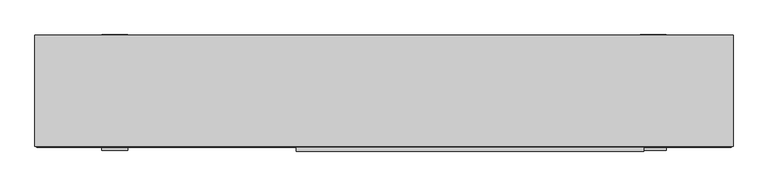
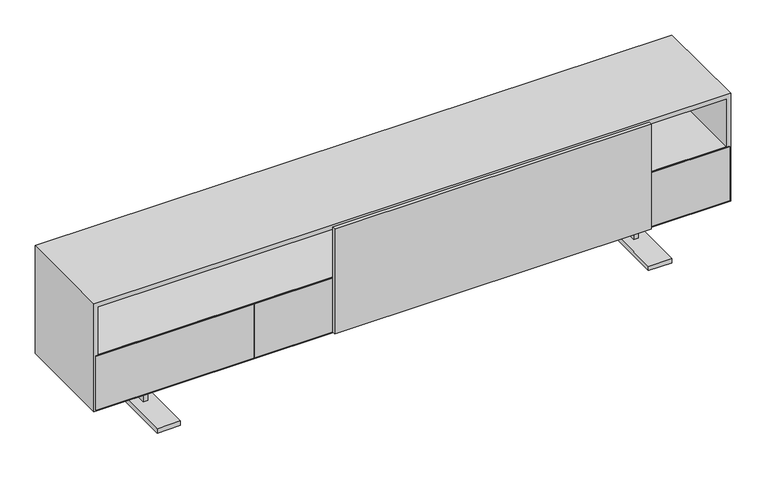
"""IFC4 building model written with IfcOpenShell, lengths in millimetres: furniture geometry."""

from ifc_helpers import new_model, si_unit, frame, origin, place, context, project, spatial, polyline, outline, extrude, faceted_brep, source, transform, mapped, element, save


def furniture_e3b2b5f4(model_context):
    return source(origin(), model_context, "Body", "SolidModel", [
        extrude(outline(polyline([(0.0, 30.08249), (672.3182792, 30.08249), (672.3182792, 15.08125), (0.0, 15.08125), (0.0, 30.08249)])), frame((0.0, 0.0, 184.15), z_axis=(0.0, 0.0, 1.0), x_axis=(1.0, 0.0, 0.0)), (0.0, 0.0, 1.0), 241.3),
        extrude(outline(polyline([(-339.725, 15.00124), (1003.3, 15.00124), (1003.3, 0.0), (-339.725, 0.0), (-339.725, 15.00124)])), frame((0.0, 0.0, 184.15), z_axis=(0.0, 0.0, 1.0), x_axis=(1.0, 0.0, 0.0)), (0.0, 0.0, 1.0), 469.9),
        extrude(outline(polyline([(1343.025, 30.08249), (1343.025, 15.08125), (672.3182792, 15.08125), (672.3182792, 30.08249), (1343.025, 30.08249)])), frame((0.0, 0.0, 184.15), z_axis=(0.0, 0.0, 1.0), x_axis=(1.0, 0.0, 0.0)), (0.0, 0.0, 1.0), 241.3),
        extrude(outline(polyline([(0.0, 30.08249), (0.0, 15.08125), (-672.3182792, 15.08125), (-672.3182792, 30.08249), (0.0, 30.08249)])), frame((0.0, 0.0, 184.15), z_axis=(0.0, 0.0, 1.0), x_axis=(1.0, 0.0, 0.0)), (0.0, 0.0, 1.0), 241.3),
        extrude(outline(polyline([(-1343.025, 30.08249), (-672.3182792, 30.08249), (-672.3182792, 15.08125), (-1343.025, 15.08125), (-1343.025, 30.08249)])), frame((0.0, 0.0, 184.15), z_axis=(0.0, 0.0, 1.0), x_axis=(1.0, 0.0, 0.0)), (0.0, 0.0, 1.0), 241.3),
        faceted_brep([(1349.375, 17.9867211, 660.4), (-1349.375, 17.9867211, 660.4), (-1349.375, 17.9867211, 177.8), (1349.375, 17.9867211, 177.8), (-1330.325, 17.9867211, 641.35), (1330.325, 17.9867211, 641.35), (1330.325, 17.9867211, 196.85), (-1330.325, 17.9867211, 196.85), (1349.375, 449.7947037, 660.4), (1349.375, 449.7947037, 177.8), (-1349.375, 449.7947037, 177.8), (-1349.375, 449.7947037, 660.4), (-1330.325, 430.7447037, 641.35), (1330.325, 430.7447037, 641.35), (1330.325, 430.7447037, 196.85), (-1330.325, 430.7447037, 196.85)], [[[0, 1, 2, 3], [4, 5, 6, 7]], [[8, 9, 10, 11]], [[1, 0, 8, 11]], [[2, 1, 11, 10]], [[3, 2, 10, 9]], [[0, 3, 9, 8]], [[5, 4, 12, 13]], [[6, 5, 13, 14]], [[7, 6, 14, 15]], [[4, 7, 15, 12]], [[13, 12, 15, 14]]]),
        extrude(outline(polyline([(9.525, 18.0186515), (-9.525, 18.0186515), (-9.525, 422.0013096), (9.525, 422.0013096), (9.525, 18.0186515)])), frame((0.0, 0.0, 196.85), z_axis=(0.0, 0.0, 1.0), x_axis=(1.0, 0.0, 0.0)), (0.0, 0.0, 1.0), 444.5),
        extrude(outline(polyline([(1330.325, 17.9867211), (-1330.325, 17.9867211), (-1330.325, 430.7447037), (1330.325, 430.7447037), (1330.325, 17.9867211)])), frame((0.0, 0.0, 409.575), z_axis=(0.0, 0.0, 1.0), x_axis=(1.0, 0.0, 0.0)), (0.0, 0.0, 1.0), 19.05),
        faceted_brep([(-1048.8500055, 176.5600381, 177.8), (-1029.8000055, 176.5600381, 177.8), (-1029.8000055, 217.0600955, 177.8), (1029.8000055, 217.0600955, 177.8), (1029.8000055, 176.5600381, 177.8), (1048.8500055, 176.5600381, 177.8), (1048.8500055, 274.5652025, 177.8), (1029.8000055, 274.5652025, 177.8), (1029.8000055, 236.3625606, 177.8), (-1029.8000055, 236.3625606, 177.8), (-1029.8000055, 274.5652025, 177.8), (-1048.8500055, 274.5652025, 177.8), (-1048.8500055, 176.5600381, 19.8859728), (-1029.8000055, 176.5600381, 19.8859728), (-1029.8000055, 217.0600955, 19.8859728), (-991.3499542, 217.0600955, 127.0), (991.3499542, 217.0600955, 127.0), (991.3499542, 217.0600955, 19.8859728), (1029.8000055, 217.0600955, 19.8859728), (-991.3499542, 217.0600955, 19.8859728), (-991.3499542, 236.3625606, 127.0), (-991.3499542, 2.270077, 19.8859728), (-991.3499542, 2.270077, 0.0), (-991.3499542, 450.85, 0.0), (-991.3499542, 450.85, 19.8859728), (-991.3499542, 236.3625606, 19.8859728), (991.3499542, 236.3625606, 127.0), (-1029.8000055, 236.3625606, 19.8859728), (1029.8000055, 236.3625606, 19.8859728), (991.3499542, 236.3625606, 19.8859728), (-1029.8000055, 274.5652025, 19.8859728), (-1048.8500055, 274.5652025, 19.8859728), (1029.8000055, 176.5600381, 19.8859728), (1048.8500055, 176.5600381, 19.8859728), (991.3499542, 450.85, 19.8859728), (991.3499542, 450.85, 0.0), (991.3499542, 2.270077, 0.0), (991.3499542, 2.270077, 19.8859728), (1029.8000055, 274.5652025, 19.8859728), (1048.8500055, 274.5652025, 19.8859728), (-1090.350016, 450.85, 19.8859728), (-1090.350016, 2.270077, 19.8859728), (-1090.350016, 2.270077, 0.0), (-1090.350016, 450.85, 0.0), (1090.350016, 2.270077, 19.8859728), (1090.350016, 450.85, 19.8859728), (1090.350016, 450.85, 0.0), (1090.350016, 2.270077, 0.0)], [[[0, 1, 2, 3, 4, 5, 6, 7, 8, 9, 10, 11]], [[1, 0, 12, 13]], [[2, 1, 13, 14]], [[15, 16, 17, 18, 3, 2, 14, 19]], [[20, 15, 19, 21, 22, 23, 24, 25]], [[26, 20, 25, 27, 9, 8, 28, 29]], [[10, 9, 27, 30]], [[11, 10, 30, 31]], [[0, 11, 31, 12]], [[20, 26, 16, 15]], [[5, 4, 32, 33]], [[4, 3, 18, 32]], [[26, 29, 34, 35, 36, 37, 17, 16]], [[8, 7, 38, 28]], [[7, 6, 39, 38]], [[6, 5, 33, 39]], [[24, 40, 41, 21, 19, 14, 13, 12, 31, 30, 27, 25]], [[23, 22, 42, 43]], [[40, 24, 23, 43]], [[41, 40, 43, 42]], [[21, 41, 42, 22]], [[37, 44, 45, 34, 29, 28, 38, 39, 33, 32, 18, 17]], [[35, 46, 47, 36]], [[34, 45, 46, 35]], [[45, 44, 47, 46]], [[44, 37, 36, 47]]]),
    ])


if __name__ == "__main__":
    model = new_model("IFC4")
    model_context = context("Model", 3, world=origin())
    ifc_project = project(units=[si_unit("LENGTHUNIT", "METRE", prefix="MILLI")], contexts=[model_context])
    site = spatial("IfcSite", under=ifc_project)
    building = spatial("IfcBuilding", under=site)
    placement = place(None, origin())
    furniture_shape = furniture_e3b2b5f4(model_context)
    element("IfcFurniture", 1, at=placement, inside=building, context=model_context, shape_type="MappedRepresentation", body=[
        mapped(furniture_shape, transform((0.0, 0.0, 0.0), x_axis=(1.0, 0.0, 0.0), y_axis=(0.0, 1.0, 0.0), z_axis=(0.0, 0.0, 1.0))),
    ])
    save(model, "model.ifc")
